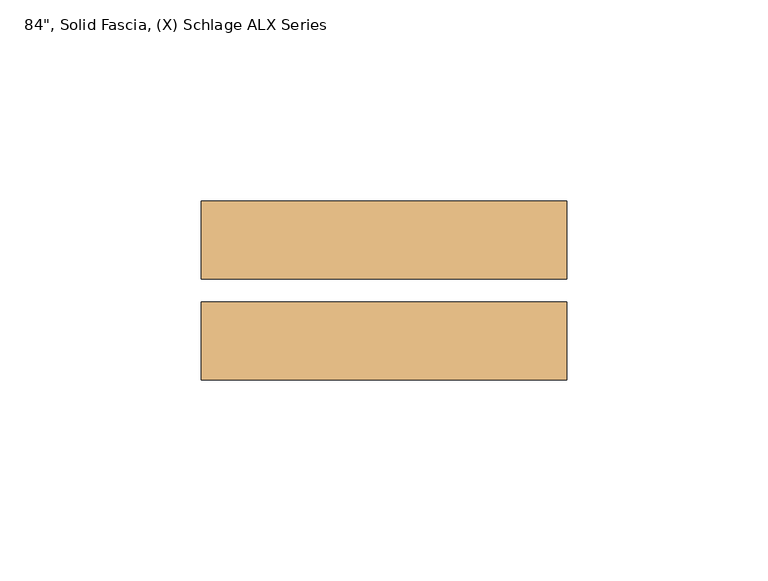
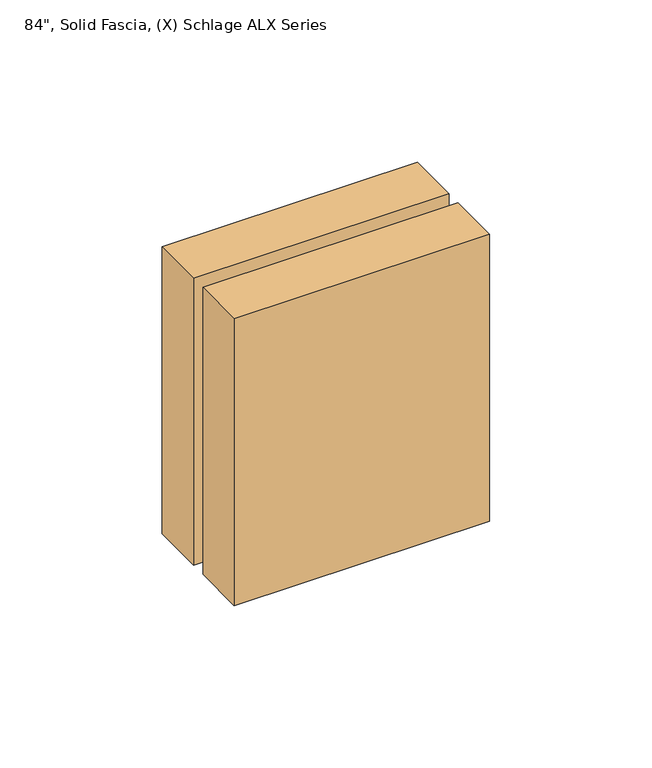
"""IFC4 building model written with IfcOpenShell, lengths in millimetres: door geometry."""

from ifc_helpers import new_model, si_unit, frame, origin, place, context, project, spatial, polyline, outline, extrude, source, transform, mapped, element, save


def door_1c8e3d8d(model_context):
    return source(origin(), model_context, "Body", "SweptSolid", [
        extrude(outline(polyline([(446.7225, 49.2748545), (446.7225, 29.9073545), (355.9175, 29.9073545), (355.9175, 49.2748545), (446.7225, 49.2748545)])), frame((0.0, 0.0, 953.1373407), z_axis=(0.0, 0.0, 1.0), x_axis=(1.0, 0.0, 0.0)), (0.0, 0.0, 1.0), 107.95),
        extrude(outline(polyline([(446.7225, 24.1923545), (446.7225, 4.8248545), (355.9175, 4.8248545), (355.9175, 24.1923545), (446.7225, 24.1923545)])), frame((0.0, 0.0, 953.1373407), z_axis=(0.0, 0.0, 1.0), x_axis=(1.0, 0.0, 0.0)), (0.0, 0.0, 1.0), 107.95),
    ])


if __name__ == "__main__":
    model = new_model("IFC4")
    model_context = context("Model", 3, world=origin())
    ifc_project = project(units=[si_unit("LENGTHUNIT", "METRE", prefix="MILLI")], contexts=[model_context])
    site = spatial("IfcSite", under=ifc_project)
    building = spatial("IfcBuilding", under=site)
    placement = place(None, origin())
    door_shape = door_1c8e3d8d(model_context)
    element("IfcDoor", 1, ObjectType="84\", Solid Fascia, (X) Schlage ALX Series", at=placement, inside=building, context=model_context, shape_type="MappedRepresentation", body=[
        mapped(door_shape, transform((0.0, 0.0, 0.0), x_axis=(1.0, 0.0, 0.0), y_axis=(0.0, 1.0, 0.0), z_axis=(0.0, 0.0, 1.0))),
    ])
    save(model, "model.ifc")
